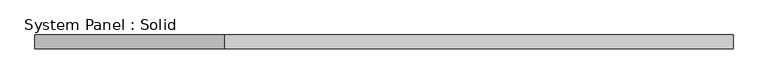
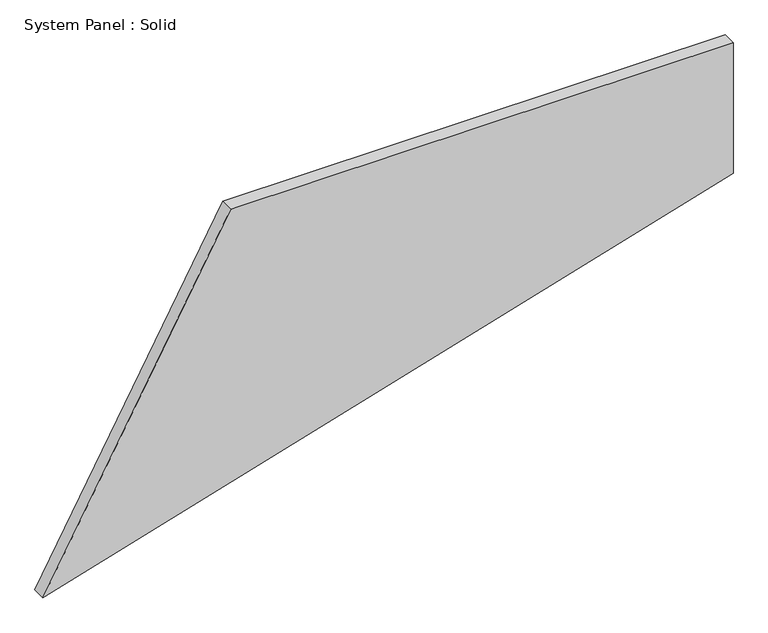
"""IFC4 building model written with IfcOpenShell, lengths in millimetres: plate geometry, System Panel : Solid."""

from ifc_helpers import new_model, si_unit, frame, origin, place, context, project, spatial, polyline, outline, extrude, source, transform, mapped, element, save


def system_panel_solid_d2dd22ea(model_context):
    return source(origin(), model_context, "Body", "SweptSolid", [
        extrude(outline(polyline([(0.0, -1500.0000002), (901.751101, 1500.0000002), (1500.0, 1500.0000002), (1500.0, -684.1812941), (0.0, -1500.0000002)])), frame((0.0, -10.5, 0.0), z_axis=(0.0, 1.0, 0.0), x_axis=(0.0, 0.0, 1.0)), (0.0, 0.0, 1.0), 60.0),
    ])


if __name__ == "__main__":
    model = new_model("IFC4")
    model_context = context("Model", 3, world=origin())
    ifc_project = project(units=[si_unit("LENGTHUNIT", "METRE", prefix="MILLI")], contexts=[model_context])
    site = spatial("IfcSite", under=ifc_project)
    building = spatial("IfcBuilding", under=site)
    placement = place(None, origin())
    system_panel_solid_shape = system_panel_solid_d2dd22ea(model_context)
    element("IfcPlate", 1, ObjectType="System Panel : Solid", at=placement, inside=building, context=model_context, shape_type="MappedRepresentation", body=[
        mapped(system_panel_solid_shape, transform((0.0, 0.0, 0.0), x_axis=(1.0, 0.0, 0.0), y_axis=(0.0, 1.0, 0.0), z_axis=(0.0, 0.0, 1.0))),
    ])
    save(model, "model.ifc")
